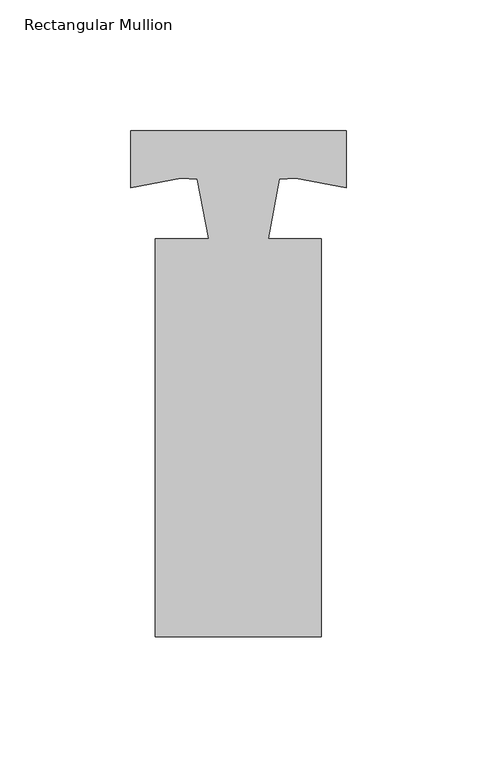
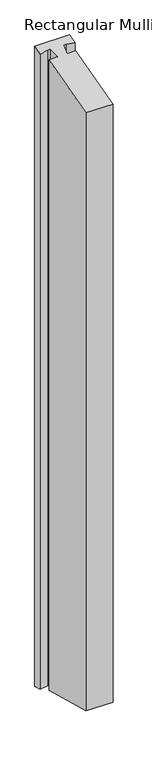
"""IFC4 building model written with IfcOpenShell, lengths in millimetres: member geometry, Rectangular Mullion."""

from ifc_helpers import new_model, si_unit, origin, place, context, project, spatial, faceted_brep, source, transform, mapped, element, save


def rectangular_mullion_c69549e1(model_context):
    return source(origin(), model_context, "Body", "Brep", [
        faceted_brep([(-31.75, -156.9344455, -42.0504579), (-31.75, -4.5344455, -1.215001), (-31.75, -4.5344455, -1576.5469104), (-31.75, -156.9344455, -1535.7454811), (31.75, -156.9344455, -42.0504579), (31.75, -156.9344455, -1535.7454811), (31.75, -4.5344455, -1.215001), (31.75, -4.5344455, -1576.5469104), (11.4100766, -4.5344455, -1.215001), (11.4100766, -4.5344455, -1576.5469104), (15.6433348, 18.2705145, 4.8955696), (15.6433348, 18.2705145, -1582.6523891), (21.998691, 18.6139129, 4.9875829), (21.998691, 18.6139129, -1582.7443258), (41.2744654, 15.0255934, 4.0260956), (41.2744654, 15.0255934, -1581.7836397), (41.2744654, 36.8976035, 9.8866831), (41.2744654, 36.8976035, -1587.6393436), (-41.2744654, 36.8976035, 9.8866831), (-41.2744654, 36.8976035, -1587.6393436), (-41.2744654, 15.0255934, 4.0260956), (-41.2744654, 15.0255934, -1581.7836397), (-21.998691, 18.6139129, 4.9875829), (-21.998691, 18.6139129, -1582.7443258), (-15.6450524, 18.2706073, 4.8955945), (-15.6450524, 18.2706073, -1582.652414), (-11.3997331, -4.5344455, -1.215001), (-11.3997331, -4.5344455, -1576.5469104)], [[[0, 1, 2, 3]], [[4, 0, 3, 5]], [[6, 4, 5, 7]], [[8, 6, 7, 9]], [[10, 8, 9, 11]], [[12, 10, 11, 13]], [[14, 12, 13, 15]], [[16, 14, 15, 17]], [[18, 16, 17, 19]], [[20, 18, 19, 21]], [[22, 20, 21, 23]], [[24, 22, 23, 25]], [[26, 24, 25, 27]], [[1, 26, 27, 2]], [[1, 0, 4, 6, 8, 10, 12, 14, 16, 18, 20, 22, 24, 26]], [[2, 27, 25, 23, 21, 19, 17, 15, 13, 11, 9, 7, 5, 3]]]),
    ])


if __name__ == "__main__":
    model = new_model("IFC4")
    model_context = context("Model", 3, world=origin())
    ifc_project = project(units=[si_unit("LENGTHUNIT", "METRE", prefix="MILLI")], contexts=[model_context])
    site = spatial("IfcSite", under=ifc_project)
    building = spatial("IfcBuilding", under=site)
    placement = place(None, origin())
    rectangular_mullion_shape = rectangular_mullion_c69549e1(model_context)
    element("IfcMember", 1, ObjectType="Rectangular Mullion", at=placement, inside=building, context=model_context, shape_type="MappedRepresentation", body=[
        mapped(rectangular_mullion_shape, transform((0.0, 0.0, 0.0), x_axis=(1.0, 0.0, 0.0), y_axis=(0.0, 1.0, 0.0), z_axis=(0.0, 0.0, 1.0))),
    ])
    save(model, "model.ifc")
